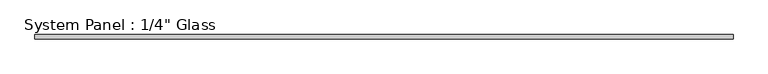
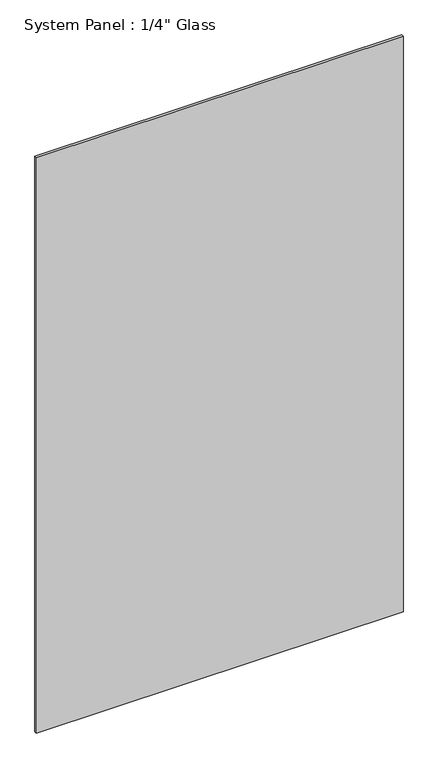
"""IFC4 building model written with IfcOpenShell, lengths in millimetres: plate geometry."""

from ifc_helpers import new_model, si_unit, origin, origin_with_axes, place, context, project, spatial, polyline, outline, extrude, source, transform, mapped, element, save


def plate_1b109699(model_context):
    return source(origin(), model_context, "Body", "SweptSolid", [
        extrude(outline(polyline([(511.175, -3.175), (-511.175, -3.175), (-511.175, 3.175), (511.175, 3.175), (511.175, -3.175)])), origin_with_axes(), (0.0, 0.0, 1.0), 1695.45),
    ])


if __name__ == "__main__":
    model = new_model("IFC4")
    model_context = context("Model", 3, world=origin())
    ifc_project = project(units=[si_unit("LENGTHUNIT", "METRE", prefix="MILLI")], contexts=[model_context])
    site = spatial("IfcSite", under=ifc_project)
    building = spatial("IfcBuilding", under=site)
    placement = place(None, origin())
    plate_shape = plate_1b109699(model_context)
    element("IfcPlate", 1, ObjectType="System Panel : 1/4\" Glass", at=placement, inside=building, context=model_context, shape_type="MappedRepresentation", body=[
        mapped(plate_shape, transform((0.0, 0.0, 0.0), x_axis=(1.0, 0.0, 0.0), y_axis=(0.0, 1.0, 0.0), z_axis=(0.0, 0.0, 1.0))),
    ])
    save(model, "model.ifc")
